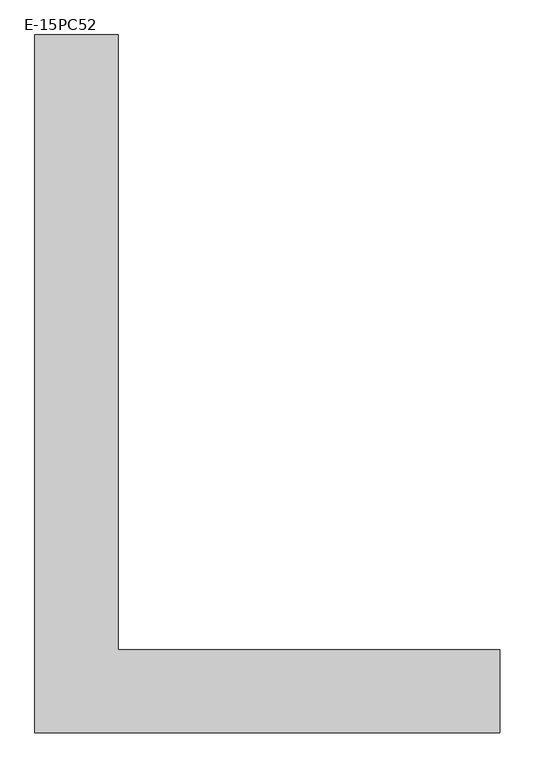
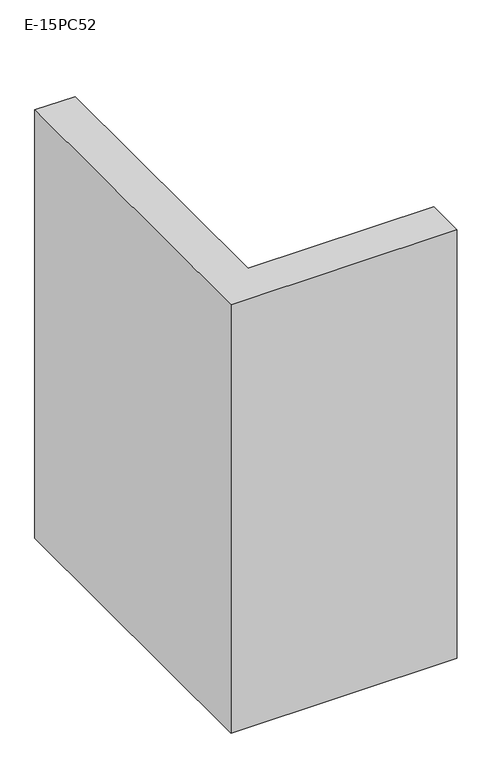
"""IFC4 building model written with IfcOpenShell, lengths in millimetres: column geometry, E-15PC52."""

from ifc_helpers import new_model, si_unit, frame, origin, place, context, project, spatial, polyline, outline, extrude, source, transform, mapped, element, save


def e_15pc52_f3552f08(model_context):
    return source(origin(), model_context, "Body", "SweptSolid", [
        extrude(outline(polyline([(-700.0, -1050.0), (-700.0, 1050.0), (-450.0, 1050.0), (-450.0, -800.0), (700.0, -800.0), (700.0, -1050.0), (-700.0, -1050.0)])), frame((0.0, 0.0, 26000.0), z_axis=(0.0, 0.0, 1.0), x_axis=(1.0, 0.0, 0.0)), (0.0, 0.0, 1.0), 2800.0),
    ])


if __name__ == "__main__":
    model = new_model("IFC4")
    model_context = context("Model", 3, world=origin())
    ifc_project = project(units=[si_unit("LENGTHUNIT", "METRE", prefix="MILLI")], contexts=[model_context])
    site = spatial("IfcSite", under=ifc_project)
    building = spatial("IfcBuilding", under=site)
    placement = place(None, origin())
    e_15pc52_shape = e_15pc52_f3552f08(model_context)
    element("IfcColumn", 1, ObjectType="E-15PC52", at=placement, inside=building, context=model_context, shape_type="MappedRepresentation", body=[
        mapped(e_15pc52_shape, transform((0.0, 0.0, 0.0), x_axis=(1.0, 0.0, 0.0), y_axis=(0.0, 1.0, 0.0), z_axis=(0.0, 0.0, 1.0))),
    ])
    save(model, "model.ifc")
